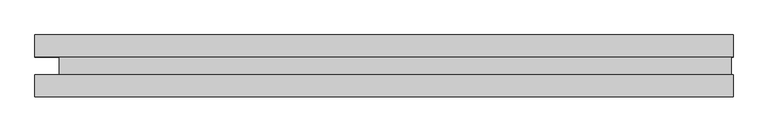
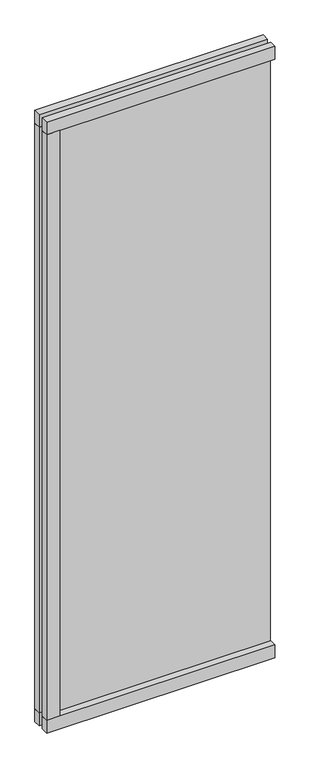
"""IFC4 building model written with IfcOpenShell, lengths in millimetres: plate geometry."""

import ifcopenshell
import ifcopenshell.guid

model = None  # the IFC model being written
_history = None  # IfcOwnerHistory: only IFC2X3 demands one
_inside = {}  # id of a spatial element -> (the spatial element, [elements in it])
_under = {}  # id of a project, library or spatial element -> (it, [spatial elements below it])
_declared = {}  # id of a project -> (the project, [libraries it declares])
_typed = {}  # id of a type object -> (the type object, [elements of that type])
_made_of = {}  # id of a material, layer set ... -> (it, [elements and type objects made of it])


def new_model(schema):
    """Start an empty IFC model of exactly this schema.

    Asked for "IFC4X3", IfcOpenShell would pick the latest addendum, in which some entities
    have other attributes; the version numbers below select the first issue.
    IFC2X3 requires an IfcOwnerHistory on every rooted entity: one is made here for all.
    """
    global model, _history
    if schema == "IFC4X3":
        model = ifcopenshell.file(schema_version=(4, 3, 0, 0))
    else:
        model = ifcopenshell.file(schema=schema)
    _inside.clear()
    _under.clear()
    _declared.clear()
    _typed.clear()
    _made_of.clear()
    _history = None
    if model.schema == "IFC2X3":
        org = make("IfcOrganization", Name="unknown")
        user = make(
            "IfcPersonAndOrganization",
            ThePerson=make("IfcPerson", FamilyName="unknown"),
            TheOrganization=org,
        )
        app = make(
            "IfcApplication",
            ApplicationDeveloper=org,
            Version="unknown",
            ApplicationFullName="unknown",
            ApplicationIdentifier="unknown",
        )
        _history = make(
            "IfcOwnerHistory",
            OwningUser=user,
            OwningApplication=app,
            ChangeAction="ADDED",
            CreationDate=0,
        )
    return model


def make(cls, **values):
    """One entity of the class cls with the attributes given. An attribute that is None is left unset."""
    return model.create_entity(
        cls, **{name: value for name, value in values.items() if value is not None}
    )


def rooted(cls, **values):
    """An entity with a GlobalId (a new one), such as an element, a storey or a relation."""
    return make(cls, GlobalId=ifcopenshell.guid.new(), OwnerHistory=_history, **values)


def si_unit(unit_type, name, prefix=None):
    """IfcSIUnit, for example si_unit("LENGTHUNIT", "METRE", prefix="MILLI")."""
    return make("IfcSIUnit", UnitType=unit_type, Prefix=prefix, Name=name)


def assignment(units):
    """IfcUnitAssignment: the units of a project."""
    return None if units is None else make("IfcUnitAssignment", Units=units)


def point(xyz):
    """IfcCartesianPoint."""
    return None if xyz is None else make("IfcCartesianPoint", Coordinates=xyz)


def direction(xyz):
    """IfcDirection."""
    return None if xyz is None else make("IfcDirection", DirectionRatios=xyz)


def frame(location, z_axis=None, x_axis=None):
    """IfcAxis2Placement3D, a coordinate frame: its origin and axes. An axis left out is left unset."""
    return make(
        "IfcAxis2Placement3D",
        Location=point(location),
        Axis=direction(z_axis),
        RefDirection=direction(x_axis),
    )


def origin():
    """The frame at (0, 0, 0) with its axes left unset."""
    return frame((0.0, 0.0, 0.0))


def origin_with_axes():
    """The frame at (0, 0, 0) with the z axis (0, 0, 1) and the x axis (1, 0, 0) written out."""
    return frame((0.0, 0.0, 0.0), z_axis=(0.0, 0.0, 1.0), x_axis=(1.0, 0.0, 0.0))


def place(relative_to, where):
    """IfcLocalPlacement: puts the frame where relative to a parent placement (None: the world)."""
    return make(
        "IfcLocalPlacement", PlacementRelTo=relative_to, RelativePlacement=where
    )


def context(
    kind, dimensions, precision=None, world=None, true_north=None, identifier=None
):
    """IfcGeometricRepresentationContext, for example the 3D "Model" context."""
    return make(
        "IfcGeometricRepresentationContext",
        ContextIdentifier=identifier,
        ContextType=kind,
        CoordinateSpaceDimension=dimensions,
        Precision=precision,
        WorldCoordinateSystem=world,
        TrueNorth=true_north,
    )


def project(units=None, contexts=None):
    """IfcProject with its units and contexts."""
    return rooted(
        "IfcProject",
        Name="project",
        RepresentationContexts=contexts,
        UnitsInContext=assignment(units),
    )


def spatial(cls, under=None, at=None, **own):
    """A site, building, storey or space (cls), placed at a placement, below another one or the project."""
    s = rooted(cls, ObjectPlacement=at, **own)
    if under is not None:
        _under.setdefault(under.id(), (under, []))[1].append(s)
    return s


def polyline(points):
    """IfcPolyline through the points."""
    return make("IfcPolyline", Points=[point(p) for p in points])


def outline(outer, holes=None, kind="AREA"):
    """IfcArbitraryClosedProfileDef: a profile drawn as a closed curve; with holes, ...WithVoids."""
    if holes is None:
        return make("IfcArbitraryClosedProfileDef", ProfileType=kind, OuterCurve=outer)
    return make(
        "IfcArbitraryProfileDefWithVoids",
        ProfileType=kind,
        OuterCurve=outer,
        InnerCurves=holes,
    )


def extrude(swept, where, along, depth):
    """IfcExtrudedAreaSolid: the profile swept, set in the frame where, extruded along a direction by depth."""
    return make(
        "IfcExtrudedAreaSolid",
        SweptArea=swept,
        Position=where,
        ExtrudedDirection=direction(along),
        Depth=depth,
    )


def shape(context_of_items, identifier, shape_type, items):
    """IfcShapeRepresentation: the items that make up one representation, for example the "Body"."""
    return make(
        "IfcShapeRepresentation",
        ContextOfItems=context_of_items,
        RepresentationIdentifier=identifier,
        RepresentationType=shape_type,
        Items=items,
    )


def source(mapping_origin, context_of_items, identifier, shape_type, items):
    """IfcRepresentationMap: a shape defined once, which mapped items show again and again."""
    return make(
        "IfcRepresentationMap",
        MappingOrigin=mapping_origin,
        MappedRepresentation=shape(context_of_items, identifier, shape_type, items),
    )


def transform(
    local_origin,
    x_axis=None,
    y_axis=None,
    z_axis=None,
    scale=None,
    scale2=None,
    scale3=None,
    uniform=True,
):
    """IfcCartesianTransformationOperator3D, or its non-uniform kind. x_axis, y_axis, z_axis: its Axis1, 2, 3."""
    if uniform:
        return make(
            "IfcCartesianTransformationOperator3D",
            Axis1=direction(x_axis),
            Axis2=direction(y_axis),
            LocalOrigin=point(local_origin),
            Scale=scale,
            Axis3=direction(z_axis),
        )
    return make(
        "IfcCartesianTransformationOperator3DnonUniform",
        Axis1=direction(x_axis),
        Axis2=direction(y_axis),
        LocalOrigin=point(local_origin),
        Scale=scale,
        Axis3=direction(z_axis),
        Scale2=scale2,
        Scale3=scale3,
    )


def mapped(mapping_source, mapping_target):
    """IfcMappedItem: shows the shape of a source again, moved by a transform."""
    return make(
        "IfcMappedItem", MappingSource=mapping_source, MappingTarget=mapping_target
    )


def made_of(thing, what):
    """Note that an element or type object is made of a material, layer set ...; save() writes the relation."""
    if what is not None:
        _made_of.setdefault(what.id(), (what, []))[1].append(thing)
    return thing


def element(
    cls,
    number,
    at=None,
    inside=None,
    cuts=None,
    type_object=None,
    material=None,
    context=None,
    identifier="Body",
    shape_type=None,
    held_by="IfcProductDefinitionShape",
    body=None,
    shapes=None,
    **own,
):
    """One element of the class cls, such as IfcWall. Its Tag is "e" and its number.

    at: its placement. inside: the storey or other place that contains it. cuts: it is an
    opening in that element (IfcRelVoidsElement). A single representation is given by context,
    identifier, shape_type and body (its items); several are given by shapes. held_by: the class
    of the entity that holds the representations. save() writes the other relations.
    """
    e = rooted(cls, Tag="e%d" % number, ObjectPlacement=at, **own)
    if body is not None:
        shapes = [shape(context, identifier, shape_type, body)]
    if shapes is not None:
        e.Representation = make(held_by, Representations=shapes)
    if inside is not None:
        _inside.setdefault(inside.id(), (inside, []))[1].append(e)
    if cuts is not None:
        rooted(
            "IfcRelVoidsElement", RelatingBuildingElement=cuts, RelatedOpeningElement=e
        )
    if type_object is not None:
        _typed.setdefault(type_object.id(), (type_object, []))[1].append(e)
    return made_of(e, material)


def aggregate(whole, parts):
    """IfcRelAggregates: a whole, such as a stair, and the parts it consists of."""
    return rooted("IfcRelAggregates", RelatingObject=whole, RelatedObjects=parts)


def save(model, path):
    """Write the relations noted so far, then the file.

    IfcRelAggregates (storeys below a building ...), IfcRelContainedInSpatialStructure (elements
    in a storey), IfcRelDefinesByType, IfcRelAssociatesMaterial and IfcRelDeclares: one each for
    every whole, place, type object, material and project.
    """
    for whole, parts in _under.values():
        aggregate(whole, parts)
    for where, things in _inside.values():
        rooted(
            "IfcRelContainedInSpatialStructure",
            RelatedElements=things,
            RelatingStructure=where,
        )
    for kind, things in _typed.values():
        rooted("IfcRelDefinesByType", RelatedObjects=things, RelatingType=kind)
    for what, things in _made_of.values():
        rooted("IfcRelAssociatesMaterial", RelatedObjects=things, RelatingMaterial=what)
    for by, libraries in _declared.values():
        rooted("IfcRelDeclares", RelatingContext=by, RelatedDefinitions=libraries)
    model.write(path)


def plate_974e87ff(model_context):
    return source(origin(), model_context, "Body", "SweptSolid", [
        extrude(outline(polyline([(-508.4415345, 45.0), (-448.4415345, 45.0), (-448.4415345, 13.0), (-508.4415345, 13.0), (-508.4415345, 45.0)])), frame((0.0, 0.0, 60.0), z_axis=(0.0, 0.0, 1.0), x_axis=(1.0, 0.0, 0.0)), (0.0, 0.0, 1.0), 2765.0),
        extrude(outline(polyline([(-448.4415345, -13.0), (-448.4415345, -45.0), (-508.4415345, -45.0), (-508.4415345, -13.0), (-448.4415345, -13.0)])), frame((0.0, 0.0, 60.0), z_axis=(0.0, 0.0, 1.0), x_axis=(1.0, 0.0, 0.0)), (0.0, 0.0, 1.0), 2765.0),
        extrude(outline(polyline([(510.9415345, -13.0), (510.9415345, -45.0), (-508.4415345, -45.0), (-508.4415345, -13.0), (510.9415345, -13.0)])), origin_with_axes(), (0.0, 0.0, 1.0), 60.0),
        extrude(outline(polyline([(510.9415345, 45.0), (510.9415345, 13.0), (-508.4415345, 13.0), (-508.4415345, 45.0), (510.9415345, 45.0)])), origin_with_axes(), (0.0, 0.0, 1.0), 60.0),
        extrude(outline(polyline([(510.9415345, -13.0), (510.9415345, -45.0), (-508.4415345, -45.0), (-508.4415345, -13.0), (510.9415345, -13.0)])), frame((0.0, 0.0, 2825.0), z_axis=(0.0, 0.0, 1.0), x_axis=(1.0, 0.0, 0.0)), (0.0, 0.0, 1.0), 60.0),
        extrude(outline(polyline([(510.9415345, 45.0), (510.9415345, 13.0), (-508.4415345, 13.0), (-508.4415345, 45.0), (510.9415345, 45.0)])), frame((0.0, 0.0, 2825.0), z_axis=(0.0, 0.0, 1.0), x_axis=(1.0, 0.0, 0.0)), (0.0, 0.0, 1.0), 60.0),
        extrude(outline(polyline([(508.4415345, -13.0), (-472.9415345, -13.0), (-472.9415345, 13.0), (508.4415345, 13.0), (508.4415345, -13.0)])), frame((0.0, 0.0, 28.0), z_axis=(0.0, 0.0, 1.0), x_axis=(1.0, 0.0, 0.0)), (0.0, 0.0, 1.0), 2829.0),
    ])


if __name__ == "__main__":
    model = new_model("IFC4")
    model_context = context("Model", 3, world=origin())
    ifc_project = project(units=[si_unit("LENGTHUNIT", "METRE", prefix="MILLI")], contexts=[model_context])
    site = spatial("IfcSite", under=ifc_project)
    building = spatial("IfcBuilding", under=site)
    placement = place(None, origin())
    plate_shape = plate_974e87ff(model_context)
    element("IfcPlate", 1, at=placement, inside=building, context=model_context, shape_type="MappedRepresentation", body=[
        mapped(plate_shape, transform((0.0, 0.0, 0.0), x_axis=(1.0, 0.0, 0.0), y_axis=(0.0, 1.0, 0.0), z_axis=(0.0, 0.0, 1.0))),
    ])
    save(model, "model.ifc")
